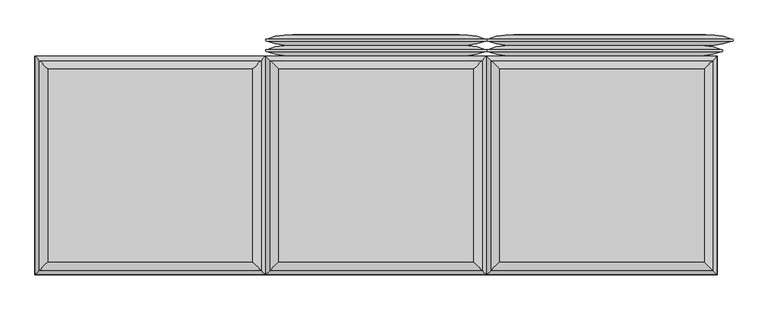
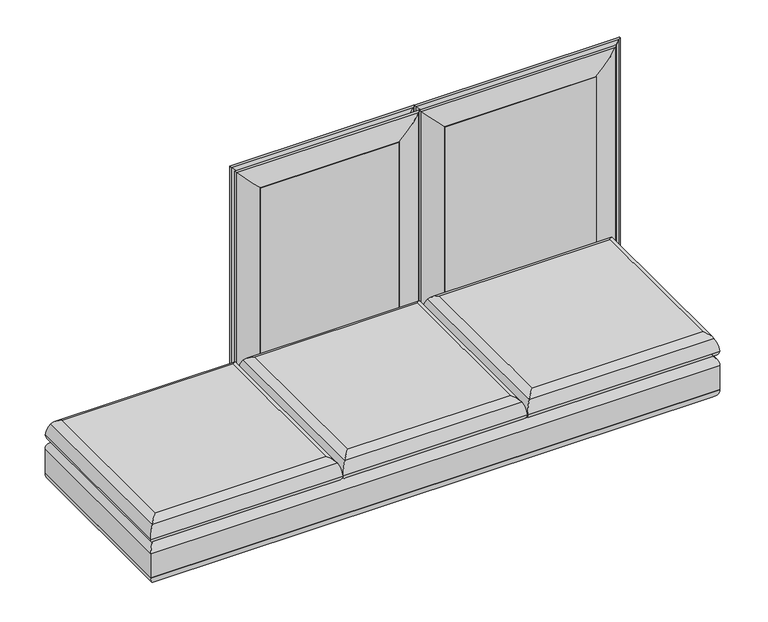
"""IFC4 building model written with IfcOpenShell, lengths in millimetres: furniture geometry."""

from ifc_helpers import new_model, si_unit, frame, origin, place, context, project, spatial, polyline, ellipse_curve, outline, extrude, source, transform, mapped, element, save
from ifc_brep_helpers import plane_surface, cylinder_surface, advanced_brep


def furniture_ec7ce371(model_context):
    return source(origin(), model_context, "Body", "SolidModel", [
        advanced_brep(
        [(1216.025, -403.225, 329.9006118), (1216.025, 352.425, 329.9006118), (-1216.025, 352.425, 329.9006118), (-1216.025, -403.225, 329.9006118), (1216.025, 352.425, 142.5756118), (1216.025, -403.225, 142.5756118), (-1216.025, -403.225, 142.5756118), (-1216.025, 352.425, 142.5756118), (1235.0611528, 371.4611528, 291.910987), (1235.0611528, -422.2611528, 291.910987), (1235.075, 371.475, 181.4038342), (1235.075, 371.475, 291.0723894), (1235.075, -422.275, 291.0723894), (1235.075, -422.275, 181.4038342), (1235.0611528, 371.4611528, 180.5652366), (1235.0611528, -422.2611528, 180.5652366), (-1235.0611528, -422.2611528, 291.910987), (-1235.075, -422.275, 291.0723894), (-1235.075, -422.275, 181.4038342), (-1235.0611528, -422.2611528, 180.5652366), (-1235.0611528, 371.4611528, 291.910987), (-1235.075, 371.475, 291.0723894), (-1235.075, 371.475, 181.4038342), (-1235.0611528, 371.4611528, 180.5652366)],
        [
            (0, 1),
            (1, 2),
            (2, 3),
            (3, 0),
            (4, 5),
            (5, 6),
            (6, 7),
            (7, 4),
            (8, 1, ellipse_curve(frame((1184.2888472, 320.6888472, 290.2337918), z_axis=(0.7071067811865475, -0.7071067811865475, 0.0), x_axis=(0.7071067811865474, 0.7071067811865476, 0.0)), 71.842049, 50.8)),
            (0, 9, ellipse_curve(frame((1184.2888472, -371.4888472, 290.2337918), z_axis=(0.7071067811865475, 0.7071067811865475, 0.0), x_axis=(-0.7071067811865474, 0.7071067811865476, 0.0)), 71.842049, 50.8)),
            (9, 8),
            (10, 11),
            (11, 12),
            (12, 13),
            (13, 10),
            (4, 14, ellipse_curve(frame((1184.2888472, 320.6888472, 182.2424317), z_axis=(0.7071067811865475, -0.7071067811865475, 0.0), x_axis=(0.7071067811865474, 0.7071067811865476, 0.0)), 71.842049, 50.8)),
            (14, 15),
            (15, 5, ellipse_curve(frame((1184.2888472, -371.4888472, 182.2424317), z_axis=(0.7071067811865475, 0.7071067811865475, 0.0), x_axis=(-0.7071067811865474, 0.7071067811865476, 0.0)), 71.842049, 50.8)),
            (3, 16, ellipse_curve(frame((-1184.2888472, -371.4888472, 290.2337918), z_axis=(0.7071067811865475, -0.7071067811865475, 0.0), x_axis=(0.7071067811865476, 0.7071067811865474, 0.0)), 71.842049, 50.8)),
            (16, 9),
            (12, 17),
            (17, 18),
            (18, 13),
            (15, 19),
            (19, 6, ellipse_curve(frame((-1184.2888472, -371.4888472, 182.2424317), z_axis=(0.7071067811865475, -0.7071067811865475, 0.0), x_axis=(0.7071067811865476, 0.7071067811865474, 0.0)), 71.842049, 50.8)),
            (2, 20, ellipse_curve(frame((-1184.2888472, 320.6888472, 290.2337918), z_axis=(-0.7071067811865475, -0.7071067811865475, 0.0), x_axis=(0.7071067811865474, -0.7071067811865476, 0.0)), 71.842049, 50.8)),
            (20, 16),
            (17, 21),
            (21, 22),
            (22, 18),
            (19, 23),
            (23, 7, ellipse_curve(frame((-1184.2888472, 320.6888472, 182.2424317), z_axis=(-0.7071067811865475, -0.7071067811865475, 0.0), x_axis=(0.7071067811865474, -0.7071067811865476, 0.0)), 71.842049, 50.8)),
            (8, 20),
            (10, 22),
            (21, 11),
            (23, 14),
            (9, 12, ellipse_curve(frame((1209.675, -396.875, 291.0723894), z_axis=(0.7071067811865475, 0.7071067811865475, 0.0), x_axis=(-0.7071067811865474, 0.7071067811865476, 0.0)), 35.9210245, 25.4)),
            (11, 8, ellipse_curve(frame((1209.675, 346.075, 291.0723894), z_axis=(0.7071067811865475, -0.7071067811865475, 0.0), x_axis=(0.7071067811865474, 0.7071067811865476, 0.0)), 35.9210245, 25.4)),
            (13, 15, ellipse_curve(frame((1209.675, -396.875, 181.4038342), z_axis=(0.7071067811865475, 0.7071067811865475, 0.0), x_axis=(-0.7071067811865474, 0.7071067811865476, 0.0)), 35.9210245, 25.4)),
            (14, 10, ellipse_curve(frame((1209.675, 346.075, 181.4038342), z_axis=(0.7071067811865475, -0.7071067811865475, 0.0), x_axis=(0.7071067811865474, 0.7071067811865476, 0.0)), 35.9210245, 25.4)),
            (16, 17, ellipse_curve(frame((-1209.675, -396.875, 291.0723894), z_axis=(0.7071067811865475, -0.7071067811865475, 0.0), x_axis=(0.7071067811865476, 0.7071067811865474, 0.0)), 35.9210245, 25.4)),
            (18, 19, ellipse_curve(frame((-1209.675, -396.875, 181.4038342), z_axis=(0.7071067811865475, -0.7071067811865475, 0.0), x_axis=(0.7071067811865476, 0.7071067811865474, 0.0)), 35.9210245, 25.4)),
            (20, 21, ellipse_curve(frame((-1209.675, 346.075, 291.0723894), z_axis=(-0.7071067811865475, -0.7071067811865475, 0.0), x_axis=(0.7071067811865474, -0.7071067811865476, 0.0)), 35.9210245, 25.4)),
            (22, 23, ellipse_curve(frame((-1209.675, 346.075, 181.4038342), z_axis=(-0.7071067811865475, -0.7071067811865475, 0.0), x_axis=(0.7071067811865474, -0.7071067811865476, 0.0)), 35.9210245, 25.4)),
        ],
        [
            plane_surface(frame((-1216.025, 352.425, 329.9006118), z_axis=(0.0, 0.0, 1.0), x_axis=(-1.0, 0.0, 0.0))),
            plane_surface(frame((-1216.025, 352.425, 142.5756118), z_axis=(0.0, 0.0, -1.0), x_axis=(1.0, 0.0, 0.0))),
            cylinder_surface(frame((1184.2888472, 371.475, 290.2337918), z_axis=(0.0, 1.0, 0.0), x_axis=(1.0, 0.0, 0.0)), 50.8),
            plane_surface(frame((1235.075, 371.475, 291.0723894), z_axis=(1.0, 0.0, 0.0), x_axis=(0.0, -1.0, 0.0))),
            cylinder_surface(frame((1184.2888472, 371.475, 182.2424317), z_axis=(0.0, 1.0, 0.0), x_axis=(1.0, 0.0, 0.0)), 50.8),
            cylinder_surface(frame((1235.075, -371.4888472, 290.2337918), z_axis=(1.0, 0.0, 0.0), x_axis=(0.0, -1.0, 0.0)), 50.8),
            plane_surface(frame((1235.075, -422.275, 291.0723894), z_axis=(0.0, -1.0, 0.0), x_axis=(-1.0, 0.0, 0.0))),
            cylinder_surface(frame((1235.075, -371.4888472, 182.2424317), z_axis=(1.0, 0.0, 0.0), x_axis=(0.0, -1.0, 0.0)), 50.8),
            cylinder_surface(frame((-1184.2888472, -422.275, 290.2337918), z_axis=(0.0, -1.0, 0.0), x_axis=(-1.0, 0.0, 0.0)), 50.8),
            plane_surface(frame((-1235.075, -422.275, 291.0723894), z_axis=(-1.0, 0.0, 0.0), x_axis=(0.0, 1.0, 0.0))),
            cylinder_surface(frame((-1184.2888472, -422.275, 182.2424317), z_axis=(0.0, -1.0, 0.0), x_axis=(-1.0, 0.0, 0.0)), 50.8),
            cylinder_surface(frame((-1235.075, 320.6888472, 290.2337918), z_axis=(-1.0, 0.0, 0.0), x_axis=(0.0, 1.0, 0.0)), 50.8),
            plane_surface(frame((-1235.075, 371.475, 291.0723894), z_axis=(0.0, 1.0, 0.0), x_axis=(1.0, 0.0, 0.0))),
            cylinder_surface(frame((-1235.075, 320.6888472, 182.2424317), z_axis=(-1.0, 0.0, 0.0), x_axis=(0.0, 1.0, 0.0)), 50.8),
            cylinder_surface(frame((1209.675, 371.475, 291.0723894), z_axis=(0.0, 1.0, 0.0), x_axis=(1.0, 0.0, 0.0)), 25.4),
            cylinder_surface(frame((1209.675, 371.475, 181.4038342), z_axis=(0.0, 1.0, 0.0), x_axis=(1.0, 0.0, 0.0)), 25.4),
            cylinder_surface(frame((1235.075, -396.875, 291.0723894), z_axis=(1.0, 0.0, 0.0), x_axis=(0.0, -1.0, 0.0)), 25.4),
            cylinder_surface(frame((1235.075, -396.875, 181.4038342), z_axis=(1.0, 0.0, 0.0), x_axis=(0.0, -1.0, 0.0)), 25.4),
            cylinder_surface(frame((-1209.675, -422.275, 291.0723894), z_axis=(0.0, -1.0, 0.0), x_axis=(-1.0, 0.0, 0.0)), 25.4),
            cylinder_surface(frame((-1209.675, -422.275, 181.4038342), z_axis=(0.0, -1.0, 0.0), x_axis=(-1.0, 0.0, 0.0)), 25.4),
            cylinder_surface(frame((-1235.075, 346.075, 291.0723894), z_axis=(-1.0, 0.0, 0.0), x_axis=(0.0, 1.0, 0.0)), 25.4),
            cylinder_surface(frame((-1235.075, 346.075, 181.4038342), z_axis=(-1.0, 0.0, 0.0), x_axis=(0.0, 1.0, 0.0)), 25.4),
        ],
        [
            (0, [[1, 2, 3, 4]]),
            (1, [[5, 6, 7, 8]]),
            (2, [[9, -1, 10, 11]]),
            (3, [[12, 13, 14, 15]]),
            (4, [[16, 17, 18, -5]]),
            (5, [[-10, -4, 19, 20]]),
            (6, [[-14, 21, 22, 23]]),
            (7, [[-18, 24, 25, -6]]),
            (8, [[-19, -3, 26, 27]]),
            (9, [[-22, 28, 29, 30]]),
            (10, [[-25, 31, 32, -7]]),
            (11, [[-9, 33, -26, -2]]),
            (12, [[-12, 34, -29, 35]]),
            (13, [[-16, -8, -32, 36]]),
            (14, [[-11, 37, -13, 38]]),
            (15, [[-15, 39, -17, 40]]),
            (16, [[-20, 41, -21, -37]]),
            (17, [[-23, 42, -24, -39]]),
            (18, [[-27, 43, -28, -41]]),
            (19, [[-30, 44, -31, -42]]),
            (20, [[-33, -38, -35, -43]]),
            (21, [[-34, -40, -36, -44]]),
        ],
    ),
        advanced_brep(
        [(373.5381705, -395.7631705, 330.2), (-373.5381705, -395.7631705, 330.2), (-373.5381705, 344.9631705, 330.2), (373.5381705, 344.9631705, 330.2), (398.9361903, 370.3611903, 355.9171647), (398.9361903, -421.1611903, 355.9171647), (-398.9361903, -421.1611903, 355.9171647), (-398.9361903, 370.3611903, 355.9171647), (352.425, -374.65, 434.975), (352.425, 323.85, 434.975), (-352.425, 323.85, 434.975), (-352.425, -374.65, 434.975), (383.6816677, 355.1066677, 412.0276231), (383.6816677, -405.9066677, 412.0276231), (-383.6816677, -405.9066677, 412.0276231), (-383.6816677, 355.1066677, 412.0276231)],
        [
            (0, 1),
            (1, 2),
            (2, 3),
            (3, 0),
            (3, 4, ellipse_curve(frame((373.5381705, 344.9631705, 355.6), z_axis=(0.7071067811865478, -0.7071067811865471, 0.0), x_axis=(0.707106781186547, 0.707106781186548, 0.0)), 35.9210245, 25.4)),
            (4, 5),
            (5, 0, ellipse_curve(frame((373.5381705, -395.7631705, 355.6), z_axis=(0.7071067811865471, 0.7071067811865478, 0.0), x_axis=(-0.7071067811865476, 0.7071067811865474, 0.0)), 35.9210245, 25.4)),
            (5, 6),
            (6, 1, ellipse_curve(frame((-373.5381705, -395.7631705, 355.6), z_axis=(0.7071067811865478, -0.7071067811865471, 0.0), x_axis=(0.7071067811865474, 0.7071067811865476, 0.0)), 35.9210245, 25.4)),
            (6, 7),
            (7, 2, ellipse_curve(frame((-373.5381705, 344.9631705, 355.6), z_axis=(-0.7071067811865471, -0.7071067811865478, 0.0), x_axis=(0.7071067811865476, -0.7071067811865474, 0.0)), 35.9210245, 25.4)),
            (7, 4),
            (8, 9),
            (9, 10),
            (10, 11),
            (11, 8),
            (12, 9, ellipse_curve(frame((342.2981381, 313.7231381, 388.4201083), z_axis=(0.7071067811865478, -0.7071067811865471, 0.0), x_axis=(0.707106781186547, 0.707106781186548, 0.0)), 67.3782053, 47.6435859)),
            (8, 13, ellipse_curve(frame((342.2981381, -364.5231381, 388.4201083), z_axis=(0.7071067811865471, 0.7071067811865478, 0.0), x_axis=(-0.7071067811865476, 0.7071067811865474, 0.0)), 67.3782053, 47.6435859)),
            (13, 12),
            (4, 12, ellipse_curve(frame((282.7782966, 254.2032966, 354.4666114), z_axis=(0.7071067811865478, -0.7071067811865471, 0.0), x_axis=(0.707106781186547, 0.707106781186548, 0.0)), 164.2848767, 116.1669504)),
            (13, 5, ellipse_curve(frame((282.7782966, -305.0032966, 354.4666114), z_axis=(0.7071067811865471, 0.7071067811865478, 0.0), x_axis=(-0.7071067811865476, 0.7071067811865474, 0.0)), 164.2848767, 116.1669504)),
            (11, 14, ellipse_curve(frame((-342.2981381, -364.5231381, 388.4201083), z_axis=(0.7071067811865478, -0.7071067811865471, 0.0), x_axis=(0.7071067811865474, 0.7071067811865476, 0.0)), 67.3782053, 47.6435859)),
            (14, 13),
            (14, 6, ellipse_curve(frame((-282.7782966, -305.0032966, 354.4666114), z_axis=(0.7071067811865478, -0.7071067811865471, 0.0), x_axis=(0.7071067811865474, 0.7071067811865476, 0.0)), 164.2848767, 116.1669504)),
            (10, 15, ellipse_curve(frame((-342.2981381, 313.7231381, 388.4201083), z_axis=(-0.7071067811865471, -0.7071067811865478, 0.0), x_axis=(0.7071067811865476, -0.7071067811865474, 0.0)), 67.3782053, 47.6435859)),
            (15, 14),
            (15, 7, ellipse_curve(frame((-282.7782966, 254.2032966, 354.4666114), z_axis=(-0.7071067811865471, -0.7071067811865478, 0.0), x_axis=(0.7071067811865476, -0.7071067811865474, 0.0)), 164.2848767, 116.1669504)),
            (12, 15),
        ],
        [
            plane_surface(frame((-373.5381705, 344.9631705, 330.2), z_axis=(0.0, 0.0, -1.0), x_axis=(1.0, 0.0, 0.0))),
            cylinder_surface(frame((373.5381705, 371.475, 355.6), z_axis=(0.0, 1.0000000000000002, 0.0), x_axis=(1.0000000000000002, 0.0, 0.0)), 25.4),
            cylinder_surface(frame((400.05, -395.7631705, 355.6), z_axis=(1.0000000000000002, 0.0, 0.0), x_axis=(0.0, -1.0000000000000002, 0.0)), 25.4),
            cylinder_surface(frame((-373.5381705, -422.275, 355.6), z_axis=(0.0, -1.0000000000000002, 0.0), x_axis=(-1.0000000000000002, 0.0, 0.0)), 25.4),
            cylinder_surface(frame((-400.05, 344.9631705, 355.6), z_axis=(-1.0000000000000002, 0.0, 0.0), x_axis=(0.0, 1.0000000000000002, 0.0)), 25.4),
            plane_surface(frame((-352.425, 323.85, 434.975), z_axis=(0.0, 0.0, 1.0), x_axis=(-1.0, 0.0, 0.0))),
            cylinder_surface(frame((342.2981381, 371.475, 388.4201083), z_axis=(0.0, 1.0000000000000002, 0.0), x_axis=(1.0000000000000002, 0.0, 0.0)), 47.6435859),
            cylinder_surface(frame((282.7782966, 371.475, 354.4666114), z_axis=(0.0, 1.0000000000000002, 0.0), x_axis=(1.0000000000000002, 0.0, 0.0)), 116.1669504),
            cylinder_surface(frame((400.05, -364.5231381, 388.4201083), z_axis=(1.0000000000000002, 0.0, 0.0), x_axis=(0.0, -1.0000000000000002, 0.0)), 47.6435859),
            cylinder_surface(frame((400.05, -305.0032966, 354.4666114), z_axis=(1.0000000000000002, 0.0, 0.0), x_axis=(0.0, -1.0000000000000002, 0.0)), 116.1669504),
            cylinder_surface(frame((-342.2981381, -422.275, 388.4201083), z_axis=(0.0, -1.0000000000000002, 0.0), x_axis=(-1.0000000000000002, 0.0, 0.0)), 47.6435859),
            cylinder_surface(frame((-282.7782966, -422.275, 354.4666114), z_axis=(0.0, -1.0000000000000002, 0.0), x_axis=(-1.0000000000000002, 0.0, 0.0)), 116.1669504),
            cylinder_surface(frame((-400.05, 313.7231381, 388.4201083), z_axis=(-1.0000000000000002, 0.0, 0.0), x_axis=(0.0, 1.0000000000000002, 0.0)), 47.6435859),
            cylinder_surface(frame((-400.05, 254.2032966, 354.4666114), z_axis=(-1.0000000000000002, 0.0, 0.0), x_axis=(0.0, 1.0000000000000002, 0.0)), 116.1669504),
        ],
        [
            (0, [[1, 2, 3, 4]]),
            (1, [[-4, 5, 6, 7]]),
            (2, [[-1, -7, 8, 9]]),
            (3, [[-2, -9, 10, 11]]),
            (4, [[-3, -11, 12, -5]]),
            (5, [[13, 14, 15, 16]]),
            (6, [[17, -13, 18, 19]]),
            (7, [[-6, 20, -19, 21]]),
            (8, [[-18, -16, 22, 23]]),
            (9, [[-8, -21, -23, 24]]),
            (10, [[-22, -15, 25, 26]]),
            (11, [[-10, -24, -26, 27]]),
            (12, [[-17, 28, -25, -14]]),
            (13, [[-12, -27, -28, -20]]),
        ],
    ),
        advanced_brep(
        [(1208.5631705, -395.7631705, 330.2), (426.5618295, -395.7631705, 330.2), (426.5618295, 344.9631705, 330.2), (1208.5631705, 344.9631705, 330.2), (1233.9611903, 370.3611903, 355.9171647), (1233.9611903, -421.1611903, 355.9171647), (401.1638097, -421.1611903, 355.9171647), (401.1638097, 370.3611903, 355.9171647), (1187.45, -374.65, 434.975), (1187.45, 323.85, 434.975), (447.675, 323.85, 434.975), (447.675, -374.65, 434.975), (1218.7066677, 355.1066677, 412.0276231), (1218.7066677, -405.9066677, 412.0276231), (416.4183323, -405.9066677, 412.0276231), (416.4183323, 355.1066677, 412.0276231)],
        [
            (0, 1),
            (1, 2),
            (2, 3),
            (3, 0),
            (3, 4, ellipse_curve(frame((1208.5631705, 344.9631705, 355.6), z_axis=(0.7071067811865478, -0.7071067811865471, 0.0), x_axis=(0.707106781186547, 0.707106781186548, 0.0)), 35.9210245, 25.4)),
            (4, 5),
            (5, 0, ellipse_curve(frame((1208.5631705, -395.7631705, 355.6), z_axis=(0.7071067811865471, 0.7071067811865478, 0.0), x_axis=(-0.7071067811865476, 0.7071067811865474, 0.0)), 35.9210245, 25.4)),
            (5, 6),
            (6, 1, ellipse_curve(frame((426.5618295, -395.7631705, 355.6), z_axis=(0.7071067811865478, -0.7071067811865471, 0.0), x_axis=(0.7071067811865474, 0.7071067811865476, 0.0)), 35.9210245, 25.4)),
            (6, 7),
            (7, 2, ellipse_curve(frame((426.5618295, 344.9631705, 355.6), z_axis=(-0.7071067811865471, -0.7071067811865478, 0.0), x_axis=(0.7071067811865476, -0.7071067811865474, 0.0)), 35.9210245, 25.4)),
            (7, 4),
            (8, 9),
            (9, 10),
            (10, 11),
            (11, 8),
            (12, 9, ellipse_curve(frame((1177.3231381, 313.7231381, 388.4201083), z_axis=(0.7071067811865478, -0.7071067811865471, 0.0), x_axis=(0.707106781186547, 0.707106781186548, 0.0)), 67.3782053, 47.6435859)),
            (8, 13, ellipse_curve(frame((1177.3231381, -364.5231381, 388.4201083), z_axis=(0.7071067811865471, 0.7071067811865478, 0.0), x_axis=(-0.7071067811865476, 0.7071067811865474, 0.0)), 67.3782053, 47.6435859)),
            (13, 12),
            (4, 12, ellipse_curve(frame((1117.8032966, 254.2032966, 354.4666114), z_axis=(0.7071067811865478, -0.7071067811865471, 0.0), x_axis=(0.707106781186547, 0.707106781186548, 0.0)), 164.2848767, 116.1669504)),
            (13, 5, ellipse_curve(frame((1117.8032966, -305.0032966, 354.4666114), z_axis=(0.7071067811865471, 0.7071067811865478, 0.0), x_axis=(-0.7071067811865476, 0.7071067811865474, 0.0)), 164.2848767, 116.1669504)),
            (11, 14, ellipse_curve(frame((457.8018619, -364.5231381, 388.4201083), z_axis=(0.7071067811865478, -0.7071067811865471, 0.0), x_axis=(0.7071067811865474, 0.7071067811865476, 0.0)), 67.3782053, 47.6435859)),
            (14, 13),
            (14, 6, ellipse_curve(frame((517.3217034, -305.0032966, 354.4666114), z_axis=(0.7071067811865478, -0.7071067811865471, 0.0), x_axis=(0.7071067811865474, 0.7071067811865476, 0.0)), 164.2848767, 116.1669504)),
            (10, 15, ellipse_curve(frame((457.8018619, 313.7231381, 388.4201083), z_axis=(-0.7071067811865471, -0.7071067811865478, 0.0), x_axis=(0.7071067811865476, -0.7071067811865474, 0.0)), 67.3782053, 47.6435859)),
            (15, 14),
            (15, 7, ellipse_curve(frame((517.3217034, 254.2032966, 354.4666114), z_axis=(-0.7071067811865471, -0.7071067811865478, 0.0), x_axis=(0.7071067811865476, -0.7071067811865474, 0.0)), 164.2848767, 116.1669504)),
            (12, 15),
        ],
        [
            plane_surface(frame((426.5618295, 344.9631705, 330.2), z_axis=(0.0, 0.0, -1.0), x_axis=(1.0, 0.0, 0.0))),
            cylinder_surface(frame((1208.5631705, 371.475, 355.6), z_axis=(0.0, 1.0000000000000002, 0.0), x_axis=(1.0000000000000002, 0.0, 0.0)), 25.4),
            cylinder_surface(frame((1235.075, -395.7631705, 355.6), z_axis=(1.0000000000000002, 0.0, 0.0), x_axis=(0.0, -1.0000000000000002, 0.0)), 25.4),
            cylinder_surface(frame((426.5618295, -422.275, 355.6), z_axis=(0.0, -1.0000000000000002, 0.0), x_axis=(-1.0000000000000002, 0.0, 0.0)), 25.4),
            cylinder_surface(frame((400.05, 344.9631705, 355.6), z_axis=(-1.0000000000000002, 0.0, 0.0), x_axis=(0.0, 1.0000000000000002, 0.0)), 25.4),
            plane_surface(frame((447.675, 323.85, 434.975), z_axis=(0.0, 0.0, 1.0), x_axis=(-1.0, 0.0, 0.0))),
            cylinder_surface(frame((1177.3231381, 371.475, 388.4201083), z_axis=(0.0, 1.0000000000000002, 0.0), x_axis=(1.0000000000000002, 0.0, 0.0)), 47.6435859),
            cylinder_surface(frame((1117.8032966, 371.475, 354.4666114), z_axis=(0.0, 1.0000000000000002, 0.0), x_axis=(1.0000000000000002, 0.0, 0.0)), 116.1669504),
            cylinder_surface(frame((1235.075, -364.5231381, 388.4201083), z_axis=(1.0000000000000002, 0.0, 0.0), x_axis=(0.0, -1.0000000000000002, 0.0)), 47.6435859),
            cylinder_surface(frame((1235.075, -305.0032966, 354.4666114), z_axis=(1.0000000000000002, 0.0, 0.0), x_axis=(0.0, -1.0000000000000002, 0.0)), 116.1669504),
            cylinder_surface(frame((457.8018619, -422.275, 388.4201083), z_axis=(0.0, -1.0000000000000002, 0.0), x_axis=(-1.0000000000000002, 0.0, 0.0)), 47.6435859),
            cylinder_surface(frame((517.3217034, -422.275, 354.4666114), z_axis=(0.0, -1.0000000000000002, 0.0), x_axis=(-1.0000000000000002, 0.0, 0.0)), 116.1669504),
            cylinder_surface(frame((400.05, 313.7231381, 388.4201083), z_axis=(-1.0000000000000002, 0.0, 0.0), x_axis=(0.0, 1.0000000000000002, 0.0)), 47.6435859),
            cylinder_surface(frame((400.05, 254.2032966, 354.4666114), z_axis=(-1.0000000000000002, 0.0, 0.0), x_axis=(0.0, 1.0000000000000002, 0.0)), 116.1669504),
        ],
        [
            (0, [[1, 2, 3, 4]]),
            (1, [[-4, 5, 6, 7]]),
            (2, [[-1, -7, 8, 9]]),
            (3, [[-2, -9, 10, 11]]),
            (4, [[-3, -11, 12, -5]]),
            (5, [[13, 14, 15, 16]]),
            (6, [[17, -13, 18, 19]]),
            (7, [[-6, 20, -19, 21]]),
            (8, [[-18, -16, 22, 23]]),
            (9, [[-8, -21, -23, 24]]),
            (10, [[-22, -15, 25, 26]]),
            (11, [[-10, -24, -26, 27]]),
            (12, [[-17, 28, -25, -14]]),
            (13, [[-12, -27, -28, -20]]),
        ],
    ),
        advanced_brep(
        [(-426.5618295, -395.7631705, 330.2), (-1208.5631705, -395.7631705, 330.2), (-1208.5631705, 344.9631705, 330.2), (-426.5618295, 344.9631705, 330.2), (-401.1638097, 370.3611903, 355.9171647), (-401.1638097, -421.1611903, 355.9171647), (-1233.9611903, -421.1611903, 355.9171647), (-1233.9611903, 370.3611903, 355.9171647), (-447.675, -374.65, 434.975), (-447.675, 323.85, 434.975), (-1187.45, 323.85, 434.975), (-1187.45, -374.65, 434.975), (-416.4183323, 355.1066677, 412.0276231), (-416.4183323, -405.9066677, 412.0276231), (-1218.7066677, -405.9066677, 412.0276231), (-1218.7066677, 355.1066677, 412.0276231)],
        [
            (0, 1),
            (1, 2),
            (2, 3),
            (3, 0),
            (3, 4, ellipse_curve(frame((-426.5618295, 344.9631705, 355.6), z_axis=(0.7071067811865478, -0.7071067811865471, 0.0), x_axis=(0.707106781186547, 0.707106781186548, 0.0)), 35.9210245, 25.4)),
            (4, 5),
            (5, 0, ellipse_curve(frame((-426.5618295, -395.7631705, 355.6), z_axis=(0.7071067811865471, 0.7071067811865478, 0.0), x_axis=(-0.7071067811865476, 0.7071067811865474, 0.0)), 35.9210245, 25.4)),
            (5, 6),
            (6, 1, ellipse_curve(frame((-1208.5631705, -395.7631705, 355.6), z_axis=(0.7071067811865478, -0.7071067811865471, 0.0), x_axis=(0.7071067811865474, 0.7071067811865476, 0.0)), 35.9210245, 25.4)),
            (6, 7),
            (7, 2, ellipse_curve(frame((-1208.5631705, 344.9631705, 355.6), z_axis=(-0.7071067811865471, -0.7071067811865478, 0.0), x_axis=(0.7071067811865476, -0.7071067811865474, 0.0)), 35.9210245, 25.4)),
            (7, 4),
            (8, 9),
            (9, 10),
            (10, 11),
            (11, 8),
            (12, 9, ellipse_curve(frame((-457.8018619, 313.7231381, 388.4201083), z_axis=(0.7071067811865478, -0.7071067811865471, 0.0), x_axis=(0.707106781186547, 0.707106781186548, 0.0)), 67.3782053, 47.6435859)),
            (8, 13, ellipse_curve(frame((-457.8018619, -364.5231381, 388.4201083), z_axis=(0.7071067811865471, 0.7071067811865478, 0.0), x_axis=(-0.7071067811865476, 0.7071067811865474, 0.0)), 67.3782053, 47.6435859)),
            (13, 12),
            (4, 12, ellipse_curve(frame((-517.3217034, 254.2032966, 354.4666114), z_axis=(0.7071067811865478, -0.7071067811865471, 0.0), x_axis=(0.707106781186547, 0.707106781186548, 0.0)), 164.2848767, 116.1669504)),
            (13, 5, ellipse_curve(frame((-517.3217034, -305.0032966, 354.4666114), z_axis=(0.7071067811865471, 0.7071067811865478, 0.0), x_axis=(-0.7071067811865476, 0.7071067811865474, 0.0)), 164.2848767, 116.1669504)),
            (11, 14, ellipse_curve(frame((-1177.3231381, -364.5231381, 388.4201083), z_axis=(0.7071067811865478, -0.7071067811865471, 0.0), x_axis=(0.7071067811865474, 0.7071067811865476, 0.0)), 67.3782053, 47.6435859)),
            (14, 13),
            (14, 6, ellipse_curve(frame((-1117.8032966, -305.0032966, 354.4666114), z_axis=(0.7071067811865478, -0.7071067811865471, 0.0), x_axis=(0.7071067811865474, 0.7071067811865476, 0.0)), 164.2848767, 116.1669504)),
            (10, 15, ellipse_curve(frame((-1177.3231381, 313.7231381, 388.4201083), z_axis=(-0.7071067811865471, -0.7071067811865478, 0.0), x_axis=(0.7071067811865476, -0.7071067811865474, 0.0)), 67.3782053, 47.6435859)),
            (15, 14),
            (15, 7, ellipse_curve(frame((-1117.8032966, 254.2032966, 354.4666114), z_axis=(-0.7071067811865471, -0.7071067811865478, 0.0), x_axis=(0.7071067811865476, -0.7071067811865474, 0.0)), 164.2848767, 116.1669504)),
            (12, 15),
        ],
        [
            plane_surface(frame((-1208.5631705, 344.9631705, 330.2), z_axis=(0.0, 0.0, -1.0), x_axis=(1.0, 0.0, 0.0))),
            cylinder_surface(frame((-426.5618295, 371.475, 355.6), z_axis=(0.0, 1.0000000000000002, 0.0), x_axis=(1.0000000000000002, 0.0, 0.0)), 25.4),
            cylinder_surface(frame((-400.05, -395.7631705, 355.6), z_axis=(1.0000000000000002, 0.0, 0.0), x_axis=(0.0, -1.0000000000000002, 0.0)), 25.4),
            cylinder_surface(frame((-1208.5631705, -422.275, 355.6), z_axis=(0.0, -1.0000000000000002, 0.0), x_axis=(-1.0000000000000002, 0.0, 0.0)), 25.4),
            cylinder_surface(frame((-1235.075, 344.9631705, 355.6), z_axis=(-1.0000000000000002, 0.0, 0.0), x_axis=(0.0, 1.0000000000000002, 0.0)), 25.4),
            plane_surface(frame((-1187.45, 323.85, 434.975), z_axis=(0.0, 0.0, 1.0), x_axis=(-1.0, 0.0, 0.0))),
            cylinder_surface(frame((-457.8018619, 371.475, 388.4201083), z_axis=(0.0, 1.0000000000000002, 0.0), x_axis=(1.0000000000000002, 0.0, 0.0)), 47.6435859),
            cylinder_surface(frame((-517.3217034, 371.475, 354.4666114), z_axis=(0.0, 1.0000000000000002, 0.0), x_axis=(1.0000000000000002, 0.0, 0.0)), 116.1669504),
            cylinder_surface(frame((-400.05, -364.5231381, 388.4201083), z_axis=(1.0000000000000002, 0.0, 0.0), x_axis=(0.0, -1.0000000000000002, 0.0)), 47.6435859),
            cylinder_surface(frame((-400.05, -305.0032966, 354.4666114), z_axis=(1.0000000000000002, 0.0, 0.0), x_axis=(0.0, -1.0000000000000002, 0.0)), 116.1669504),
            cylinder_surface(frame((-1177.3231381, -422.275, 388.4201083), z_axis=(0.0, -1.0000000000000002, 0.0), x_axis=(-1.0000000000000002, 0.0, 0.0)), 47.6435859),
            cylinder_surface(frame((-1117.8032966, -422.275, 354.4666114), z_axis=(0.0, -1.0000000000000002, 0.0), x_axis=(-1.0000000000000002, 0.0, 0.0)), 116.1669504),
            cylinder_surface(frame((-1235.075, 313.7231381, 388.4201083), z_axis=(-1.0000000000000002, 0.0, 0.0), x_axis=(0.0, 1.0000000000000002, 0.0)), 47.6435859),
            cylinder_surface(frame((-1235.075, 254.2032966, 354.4666114), z_axis=(-1.0000000000000002, 0.0, 0.0), x_axis=(0.0, 1.0000000000000002, 0.0)), 116.1669504),
        ],
        [
            (0, [[1, 2, 3, 4]]),
            (1, [[-4, 5, 6, 7]]),
            (2, [[-1, -7, 8, 9]]),
            (3, [[-2, -9, 10, 11]]),
            (4, [[-3, -11, 12, -5]]),
            (5, [[13, 14, 15, 16]]),
            (6, [[17, -13, 18, 19]]),
            (7, [[-6, 20, -19, 21]]),
            (8, [[-18, -16, 22, 23]]),
            (9, [[-8, -21, -23, 24]]),
            (10, [[-22, -15, 25, 26]]),
            (11, [[-10, -24, -26, 27]]),
            (12, [[-17, 28, -25, -14]]),
            (13, [[-12, -27, -28, -20]]),
        ],
    ),
        advanced_brep(
        [(-301.625, 410.5220019, 1163.5628297), (-394.7563317, 425.266915, 1256.6941614), (-394.7563317, 425.266915, 145.8277373), (-301.625, 410.5220019, 238.959069), (-301.625, 446.7279981, 1163.5628297), (-301.625, 446.7279981, 238.959069), (-394.7563317, 431.983085, 1256.6941614), (-394.7563317, 431.983085, 145.8277373), (394.7563317, 425.266915, 145.8277373), (301.625, 410.5220019, 238.959069), (301.625, 446.7279981, 238.959069), (394.7563317, 431.983085, 145.8277373), (394.7563317, 425.266915, 1256.6941614), (301.625, 410.5220019, 1163.5628297), (301.625, 446.7279981, 1163.5628297), (394.7563317, 431.983085, 1256.6941614)],
        [
            (0, 1, ellipse_curve(frame((-320.3217286, 593.9193158, 1182.2595584), z_axis=(-0.7071067811865475, 0.0, -0.7071067811865475), x_axis=(-0.7071067811865474, 0.0, 0.7071067811865476)), 260.707278, 184.3478842)),
            (1, 2),
            (2, 3, ellipse_curve(frame((-320.3217286, 593.9193158, 220.2623404), z_axis=(-0.7071067811865475, 0.0, 0.7071067811865475), x_axis=(0.7071067811865474, 0.0, 0.7071067811865476)), 260.707278, 184.3478842)),
            (3, 0),
            (4, 0),
            (3, 5),
            (5, 4),
            (6, 4, ellipse_curve(frame((-320.3217286, 263.3306842, 1182.2595584), z_axis=(-0.7071067811865475, 0.0, -0.7071067811865475), x_axis=(-0.7071067811865474, 0.0, 0.7071067811865476)), 260.707278, 184.3478842)),
            (5, 7, ellipse_curve(frame((-320.3217286, 263.3306842, 220.2623404), z_axis=(-0.7071067811865475, 0.0, 0.7071067811865475), x_axis=(0.7071067811865474, 0.0, 0.7071067811865476)), 260.707278, 184.3478842)),
            (7, 6),
            (1, 6, ellipse_curve(frame((-396.3744455, 428.625, 1258.3122753), z_axis=(-0.7071067811865475, 0.0, -0.7071067811865475), x_axis=(-0.7071067811865474, 0.0, 0.7071067811865476)), 5.2716273, 3.7276034)),
            (7, 2, ellipse_curve(frame((-396.3744455, 428.625, 144.2096235), z_axis=(-0.7071067811865475, 0.0, 0.7071067811865475), x_axis=(0.7071067811865474, 0.0, 0.7071067811865476)), 5.2716273, 3.7276034)),
            (2, 8),
            (8, 9, ellipse_curve(frame((320.3217286, 593.9193158, 220.2623404), z_axis=(-0.7071067811865475, 0.0, -0.7071067811865475), x_axis=(-0.7071067811865476, 0.0, 0.7071067811865474)), 260.707278, 184.3478842)),
            (9, 3),
            (9, 10),
            (10, 5),
            (10, 11, ellipse_curve(frame((320.3217286, 263.3306842, 220.2623404), z_axis=(-0.7071067811865475, 0.0, -0.7071067811865475), x_axis=(-0.7071067811865476, 0.0, 0.7071067811865474)), 260.707278, 184.3478842)),
            (11, 7),
            (11, 8, ellipse_curve(frame((396.3744455, 428.625, 144.2096235), z_axis=(-0.7071067811865475, 0.0, -0.7071067811865475), x_axis=(-0.7071067811865476, 0.0, 0.7071067811865474)), 5.2716273, 3.7276034)),
            (8, 12),
            (12, 13, ellipse_curve(frame((320.3217286, 593.9193158, 1182.2595584), z_axis=(0.7071067811865475, 0.0, -0.7071067811865475), x_axis=(-0.7071067811865474, 0.0, -0.7071067811865476)), 260.707278, 184.3478842)),
            (13, 9),
            (13, 14),
            (14, 10),
            (14, 15, ellipse_curve(frame((320.3217286, 263.3306842, 1182.2595584), z_axis=(0.7071067811865475, 0.0, -0.7071067811865475), x_axis=(-0.7071067811865474, 0.0, -0.7071067811865476)), 260.707278, 184.3478842)),
            (15, 11),
            (15, 12, ellipse_curve(frame((396.3744455, 428.625, 1258.3122753), z_axis=(0.7071067811865475, 0.0, -0.7071067811865475), x_axis=(-0.7071067811865474, 0.0, -0.7071067811865476)), 5.2716273, 3.7276034)),
            (12, 1),
            (0, 13),
            (4, 14),
            (6, 15),
        ],
        [
            cylinder_surface(frame((-320.3217286, 593.9193158, 1163.5628297), z_axis=(0.0, 0.0, 1.0), x_axis=(0.0, -1.0000000000000002, 0.0)), 184.3478842),
            plane_surface(frame((-301.625, 410.5220019, 1163.5628297), z_axis=(1.0, 0.0, 0.0), x_axis=(0.0, 0.0, -1.0))),
            cylinder_surface(frame((-320.3217286, 263.3306842, 1163.5628297), z_axis=(0.0, 0.0, 1.0), x_axis=(0.0, -1.0000000000000002, 0.0)), 184.3478842),
            cylinder_surface(frame((-396.3744455, 428.625, 1163.5628297), z_axis=(0.0, 0.0, 1.0), x_axis=(0.0, -1.0000000000000002, 0.0)), 3.7276034),
            cylinder_surface(frame((-301.625, 593.9193158, 220.2623404), z_axis=(-1.0000000000000002, 0.0, 0.0), x_axis=(0.0, -1.0000000000000002, 0.0)), 184.3478842),
            plane_surface(frame((-301.625, 410.5220019, 238.959069), z_axis=(0.0, 0.0, 1.0), x_axis=(1.0, 0.0, 0.0))),
            cylinder_surface(frame((-301.625, 263.3306842, 220.2623404), z_axis=(-1.0000000000000002, 0.0, 0.0), x_axis=(0.0, -1.0000000000000002, 0.0)), 184.3478842),
            cylinder_surface(frame((-301.625, 428.625, 144.2096235), z_axis=(-1.0000000000000002, 0.0, 0.0), x_axis=(0.0, -1.0000000000000002, 0.0)), 3.7276034),
            cylinder_surface(frame((320.3217286, 593.9193158, 238.959069), z_axis=(0.0, 0.0, -1.0), x_axis=(0.0, -1.0000000000000002, 0.0)), 184.3478842),
            plane_surface(frame((301.625, 410.5220019, 238.959069), z_axis=(-1.0, 0.0, 0.0), x_axis=(0.0, 0.0, 1.0))),
            cylinder_surface(frame((320.3217286, 263.3306842, 238.959069), z_axis=(0.0, 0.0, -1.0), x_axis=(0.0, -1.0000000000000002, 0.0)), 184.3478842),
            cylinder_surface(frame((396.3744455, 428.625, 238.959069), z_axis=(0.0, 0.0, -1.0), x_axis=(0.0, -1.0000000000000002, 0.0)), 3.7276034),
            cylinder_surface(frame((301.625, 593.9193158, 1182.2595584), z_axis=(1.0000000000000002, 0.0, 0.0), x_axis=(0.0, -1.0000000000000002, 0.0)), 184.3478842),
            plane_surface(frame((301.625, 410.5220019, 1163.5628297), z_axis=(0.0, 0.0, -1.0), x_axis=(-1.0, 0.0, 0.0))),
            cylinder_surface(frame((301.625, 263.3306842, 1182.2595584), z_axis=(1.0000000000000002, 0.0, 0.0), x_axis=(0.0, -1.0000000000000002, 0.0)), 184.3478842),
            cylinder_surface(frame((301.625, 428.625, 1258.3122753), z_axis=(1.0000000000000002, 0.0, 0.0), x_axis=(0.0, -1.0000000000000002, 0.0)), 3.7276034),
        ],
        [
            (0, [[1, 2, 3, 4]]),
            (1, [[5, -4, 6, 7]]),
            (2, [[8, -7, 9, 10]]),
            (3, [[11, -10, 12, -2]]),
            (4, [[-3, 13, 14, 15]]),
            (5, [[-6, -15, 16, 17]]),
            (6, [[-9, -17, 18, 19]]),
            (7, [[-12, -19, 20, -13]]),
            (8, [[-14, 21, 22, 23]]),
            (9, [[-16, -23, 24, 25]]),
            (10, [[-18, -25, 26, 27]]),
            (11, [[-20, -27, 28, -21]]),
            (12, [[-22, 29, -1, 30]]),
            (13, [[-24, -30, -5, 31]]),
            (14, [[-26, -31, -8, 32]]),
            (15, [[-28, -32, -11, -29]]),
        ],
    ),
        extrude(outline(polyline([(301.625, 447.675), (301.625, 409.575), (-301.625, 409.575), (-301.625, 447.675), (301.625, 447.675)])), frame((0.0, 0.0, 238.959069), z_axis=(0.0, 0.0, 1.0), x_axis=(1.0, 0.0, 0.0)), (0.0, 0.0, 1.0), 924.6037607),
        advanced_brep(
        [(-301.625, 372.4220019, 1163.5628297), (-394.7563317, 387.166915, 1256.6941614), (-394.7563317, 387.166915, 145.8277373), (-301.625, 372.4220019, 238.959069), (-301.625, 408.6279981, 1163.5628297), (-301.625, 408.6279981, 238.959069), (-394.7563317, 393.883085, 1256.6941614), (-394.7563317, 393.883085, 145.8277373), (394.7563317, 387.166915, 145.8277373), (301.625, 372.4220019, 238.959069), (301.625, 408.6279981, 238.959069), (394.7563317, 393.883085, 145.8277373), (394.7563317, 387.166915, 1256.6941614), (301.625, 372.4220019, 1163.5628297), (301.625, 408.6279981, 1163.5628297), (394.7563317, 393.883085, 1256.6941614)],
        [
            (0, 1, ellipse_curve(frame((-320.3217286, 555.8193158, 1182.2595584), z_axis=(-0.7071067811865475, 0.0, -0.7071067811865475), x_axis=(-0.7071067811865474, 0.0, 0.7071067811865476)), 260.707278, 184.3478842)),
            (1, 2),
            (2, 3, ellipse_curve(frame((-320.3217286, 555.8193158, 220.2623404), z_axis=(-0.7071067811865475, 0.0, 0.7071067811865475), x_axis=(0.7071067811865474, 0.0, 0.7071067811865476)), 260.707278, 184.3478842)),
            (3, 0),
            (4, 0),
            (3, 5),
            (5, 4),
            (6, 4, ellipse_curve(frame((-320.3217286, 225.2306842, 1182.2595584), z_axis=(-0.7071067811865475, 0.0, -0.7071067811865475), x_axis=(-0.7071067811865474, 0.0, 0.7071067811865476)), 260.707278, 184.3478842)),
            (5, 7, ellipse_curve(frame((-320.3217286, 225.2306842, 220.2623404), z_axis=(-0.7071067811865475, 0.0, 0.7071067811865475), x_axis=(0.7071067811865474, 0.0, 0.7071067811865476)), 260.707278, 184.3478842)),
            (7, 6),
            (1, 6, ellipse_curve(frame((-396.3744455, 390.525, 1258.3122753), z_axis=(-0.7071067811865475, 0.0, -0.7071067811865475), x_axis=(-0.7071067811865474, 0.0, 0.7071067811865476)), 5.2716273, 3.7276034)),
            (7, 2, ellipse_curve(frame((-396.3744455, 390.525, 144.2096235), z_axis=(-0.7071067811865475, 0.0, 0.7071067811865475), x_axis=(0.7071067811865474, 0.0, 0.7071067811865476)), 5.2716273, 3.7276034)),
            (2, 8),
            (8, 9, ellipse_curve(frame((320.3217286, 555.8193158, 220.2623404), z_axis=(-0.7071067811865475, 0.0, -0.7071067811865475), x_axis=(-0.7071067811865476, 0.0, 0.7071067811865474)), 260.707278, 184.3478842)),
            (9, 3),
            (9, 10),
            (10, 5),
            (10, 11, ellipse_curve(frame((320.3217286, 225.2306842, 220.2623404), z_axis=(-0.7071067811865475, 0.0, -0.7071067811865475), x_axis=(-0.7071067811865476, 0.0, 0.7071067811865474)), 260.707278, 184.3478842)),
            (11, 7),
            (11, 8, ellipse_curve(frame((396.3744455, 390.525, 144.2096235), z_axis=(-0.7071067811865475, 0.0, -0.7071067811865475), x_axis=(-0.7071067811865476, 0.0, 0.7071067811865474)), 5.2716273, 3.7276034)),
            (8, 12),
            (12, 13, ellipse_curve(frame((320.3217286, 555.8193158, 1182.2595584), z_axis=(0.7071067811865475, 0.0, -0.7071067811865475), x_axis=(-0.7071067811865474, 0.0, -0.7071067811865476)), 260.707278, 184.3478842)),
            (13, 9),
            (13, 14),
            (14, 10),
            (14, 15, ellipse_curve(frame((320.3217286, 225.2306842, 1182.2595584), z_axis=(0.7071067811865475, 0.0, -0.7071067811865475), x_axis=(-0.7071067811865474, 0.0, -0.7071067811865476)), 260.707278, 184.3478842)),
            (15, 11),
            (15, 12, ellipse_curve(frame((396.3744455, 390.525, 1258.3122753), z_axis=(0.7071067811865475, 0.0, -0.7071067811865475), x_axis=(-0.7071067811865474, 0.0, -0.7071067811865476)), 5.2716273, 3.7276034)),
            (12, 1),
            (0, 13),
            (4, 14),
            (6, 15),
        ],
        [
            cylinder_surface(frame((-320.3217286, 555.8193158, 1163.5628297), z_axis=(0.0, 0.0, 1.0), x_axis=(0.0, -1.0000000000000002, 0.0)), 184.3478842),
            plane_surface(frame((-301.625, 372.4220019, 1163.5628297), z_axis=(1.0, 0.0, 0.0), x_axis=(0.0, 0.0, -1.0))),
            cylinder_surface(frame((-320.3217286, 225.2306842, 1163.5628297), z_axis=(0.0, 0.0, 1.0), x_axis=(0.0, -1.0000000000000002, 0.0)), 184.3478842),
            cylinder_surface(frame((-396.3744455, 390.525, 1163.5628297), z_axis=(0.0, 0.0, 1.0), x_axis=(0.0, -1.0000000000000002, 0.0)), 3.7276034),
            cylinder_surface(frame((-301.625, 555.8193158, 220.2623404), z_axis=(-1.0000000000000002, 0.0, 0.0), x_axis=(0.0, -1.0000000000000002, 0.0)), 184.3478842),
            plane_surface(frame((-301.625, 372.4220019, 238.959069), z_axis=(0.0, 0.0, 1.0), x_axis=(1.0, 0.0, 0.0))),
            cylinder_surface(frame((-301.625, 225.2306842, 220.2623404), z_axis=(-1.0000000000000002, 0.0, 0.0), x_axis=(0.0, -1.0000000000000002, 0.0)), 184.3478842),
            cylinder_surface(frame((-301.625, 390.525, 144.2096235), z_axis=(-1.0000000000000002, 0.0, 0.0), x_axis=(0.0, -1.0000000000000002, 0.0)), 3.7276034),
            cylinder_surface(frame((320.3217286, 555.8193158, 238.959069), z_axis=(0.0, 0.0, -1.0), x_axis=(0.0, -1.0000000000000002, 0.0)), 184.3478842),
            plane_surface(frame((301.625, 372.4220019, 238.959069), z_axis=(-1.0, 0.0, 0.0), x_axis=(0.0, 0.0, 1.0))),
            cylinder_surface(frame((320.3217286, 225.2306842, 238.959069), z_axis=(0.0, 0.0, -1.0), x_axis=(0.0, -1.0000000000000002, 0.0)), 184.3478842),
            cylinder_surface(frame((396.3744455, 390.525, 238.959069), z_axis=(0.0, 0.0, -1.0), x_axis=(0.0, -1.0000000000000002, 0.0)), 3.7276034),
            cylinder_surface(frame((301.625, 555.8193158, 1182.2595584), z_axis=(1.0000000000000002, 0.0, 0.0), x_axis=(0.0, -1.0000000000000002, 0.0)), 184.3478842),
            plane_surface(frame((301.625, 372.4220019, 1163.5628297), z_axis=(0.0, 0.0, -1.0), x_axis=(-1.0, 0.0, 0.0))),
            cylinder_surface(frame((301.625, 225.2306842, 1182.2595584), z_axis=(1.0000000000000002, 0.0, 0.0), x_axis=(0.0, -1.0000000000000002, 0.0)), 184.3478842),
            cylinder_surface(frame((301.625, 390.525, 1258.3122753), z_axis=(1.0000000000000002, 0.0, 0.0), x_axis=(0.0, -1.0000000000000002, 0.0)), 3.7276034),
        ],
        [
            (0, [[1, 2, 3, 4]]),
            (1, [[5, -4, 6, 7]]),
            (2, [[8, -7, 9, 10]]),
            (3, [[11, -10, 12, -2]]),
            (4, [[-3, 13, 14, 15]]),
            (5, [[-6, -15, 16, 17]]),
            (6, [[-9, -17, 18, 19]]),
            (7, [[-12, -19, 20, -13]]),
            (8, [[-14, 21, 22, 23]]),
            (9, [[-16, -23, 24, 25]]),
            (10, [[-18, -25, 26, 27]]),
            (11, [[-20, -27, 28, -21]]),
            (12, [[-22, 29, -1, 30]]),
            (13, [[-24, -30, -5, 31]]),
            (14, [[-26, -31, -8, 32]]),
            (15, [[-28, -32, -11, -29]]),
        ],
    ),
        extrude(outline(polyline([(301.625, 409.575), (301.625, 371.475), (-301.625, 371.475), (-301.625, 409.575), (301.625, 409.575)])), frame((0.0, 0.0, 238.959069), z_axis=(0.0, 0.0, 1.0), x_axis=(1.0, 0.0, 0.0)), (0.0, 0.0, 1.0), 924.6037607),
        advanced_brep(
        [(498.475, 410.5220019, 1163.5628297), (405.3436683, 425.266915, 1256.6941614), (405.3436683, 425.266915, 145.8277373), (498.475, 410.5220019, 238.959069), (498.475, 446.7279981, 1163.5628297), (498.475, 446.7279981, 238.959069), (405.3436683, 431.983085, 1256.6941614), (405.3436683, 431.983085, 145.8277373), (1286.9313317, 425.266915, 145.8277373), (1193.8, 410.5220019, 238.959069), (1193.8, 446.7279981, 238.959069), (1286.9313317, 431.983085, 145.8277373), (1286.9313317, 425.266915, 1256.6941614), (1193.8, 410.5220019, 1163.5628297), (1193.8, 446.7279981, 1163.5628297), (1286.9313317, 431.983085, 1256.6941614)],
        [
            (0, 1, ellipse_curve(frame((479.7782714, 593.9193158, 1182.2595584), z_axis=(-0.7071067811865475, 0.0, -0.7071067811865475), x_axis=(-0.7071067811865474, 0.0, 0.7071067811865476)), 260.707278, 184.3478842)),
            (1, 2),
            (2, 3, ellipse_curve(frame((479.7782714, 593.9193158, 220.2623404), z_axis=(-0.7071067811865475, 0.0, 0.7071067811865475), x_axis=(0.7071067811865474, 0.0, 0.7071067811865476)), 260.707278, 184.3478842)),
            (3, 0),
            (4, 0),
            (3, 5),
            (5, 4),
            (6, 4, ellipse_curve(frame((479.7782714, 263.3306842, 1182.2595584), z_axis=(-0.7071067811865475, 0.0, -0.7071067811865475), x_axis=(-0.7071067811865474, 0.0, 0.7071067811865476)), 260.707278, 184.3478842)),
            (5, 7, ellipse_curve(frame((479.7782714, 263.3306842, 220.2623404), z_axis=(-0.7071067811865475, 0.0, 0.7071067811865475), x_axis=(0.7071067811865474, 0.0, 0.7071067811865476)), 260.707278, 184.3478842)),
            (7, 6),
            (1, 6, ellipse_curve(frame((403.7255545, 428.625, 1258.3122753), z_axis=(-0.7071067811865475, 0.0, -0.7071067811865475), x_axis=(-0.7071067811865474, 0.0, 0.7071067811865476)), 5.2716273, 3.7276034)),
            (7, 2, ellipse_curve(frame((403.7255545, 428.625, 144.2096235), z_axis=(-0.7071067811865475, 0.0, 0.7071067811865475), x_axis=(0.7071067811865474, 0.0, 0.7071067811865476)), 5.2716273, 3.7276034)),
            (2, 8),
            (8, 9, ellipse_curve(frame((1212.4967286, 593.9193158, 220.2623404), z_axis=(-0.7071067811865475, 0.0, -0.7071067811865475), x_axis=(-0.7071067811865476, 0.0, 0.7071067811865474)), 260.707278, 184.3478842)),
            (9, 3),
            (9, 10),
            (10, 5),
            (10, 11, ellipse_curve(frame((1212.4967286, 263.3306842, 220.2623404), z_axis=(-0.7071067811865475, 0.0, -0.7071067811865475), x_axis=(-0.7071067811865476, 0.0, 0.7071067811865474)), 260.707278, 184.3478842)),
            (11, 7),
            (11, 8, ellipse_curve(frame((1288.5494455, 428.625, 144.2096235), z_axis=(-0.7071067811865475, 0.0, -0.7071067811865475), x_axis=(-0.7071067811865476, 0.0, 0.7071067811865474)), 5.2716273, 3.7276034)),
            (8, 12),
            (12, 13, ellipse_curve(frame((1212.4967286, 593.9193158, 1182.2595584), z_axis=(0.7071067811865475, 0.0, -0.7071067811865475), x_axis=(-0.7071067811865474, 0.0, -0.7071067811865476)), 260.707278, 184.3478842)),
            (13, 9),
            (13, 14),
            (14, 10),
            (14, 15, ellipse_curve(frame((1212.4967286, 263.3306842, 1182.2595584), z_axis=(0.7071067811865475, 0.0, -0.7071067811865475), x_axis=(-0.7071067811865474, 0.0, -0.7071067811865476)), 260.707278, 184.3478842)),
            (15, 11),
            (15, 12, ellipse_curve(frame((1288.5494455, 428.625, 1258.3122753), z_axis=(0.7071067811865475, 0.0, -0.7071067811865475), x_axis=(-0.7071067811865474, 0.0, -0.7071067811865476)), 5.2716273, 3.7276034)),
            (12, 1),
            (0, 13),
            (4, 14),
            (6, 15),
        ],
        [
            cylinder_surface(frame((479.7782714, 593.9193158, 1163.5628297), z_axis=(0.0, 0.0, 1.0), x_axis=(0.0, -1.0000000000000002, 0.0)), 184.3478842),
            plane_surface(frame((498.475, 410.5220019, 1163.5628297), z_axis=(1.0, 0.0, 0.0), x_axis=(0.0, 0.0, -1.0))),
            cylinder_surface(frame((479.7782714, 263.3306842, 1163.5628297), z_axis=(0.0, 0.0, 1.0), x_axis=(0.0, -1.0000000000000002, 0.0)), 184.3478842),
            cylinder_surface(frame((403.7255545, 428.625, 1163.5628297), z_axis=(0.0, 0.0, 1.0), x_axis=(0.0, -1.0000000000000002, 0.0)), 3.7276034),
            cylinder_surface(frame((498.475, 593.9193158, 220.2623404), z_axis=(-1.0000000000000002, 0.0, 0.0), x_axis=(0.0, -1.0000000000000002, 0.0)), 184.3478842),
            plane_surface(frame((498.475, 410.5220019, 238.959069), z_axis=(0.0, 0.0, 1.0), x_axis=(1.0, 0.0, 0.0))),
            cylinder_surface(frame((498.475, 263.3306842, 220.2623404), z_axis=(-1.0000000000000002, 0.0, 0.0), x_axis=(0.0, -1.0000000000000002, 0.0)), 184.3478842),
            cylinder_surface(frame((498.475, 428.625, 144.2096235), z_axis=(-1.0000000000000002, 0.0, 0.0), x_axis=(0.0, -1.0000000000000002, 0.0)), 3.7276034),
            cylinder_surface(frame((1212.4967286, 593.9193158, 238.959069), z_axis=(0.0, 0.0, -1.0), x_axis=(0.0, -1.0000000000000002, 0.0)), 184.3478842),
            plane_surface(frame((1193.8, 410.5220019, 238.959069), z_axis=(-1.0, 0.0, 0.0), x_axis=(0.0, 0.0, 1.0))),
            cylinder_surface(frame((1212.4967286, 263.3306842, 238.959069), z_axis=(0.0, 0.0, -1.0), x_axis=(0.0, -1.0000000000000002, 0.0)), 184.3478842),
            cylinder_surface(frame((1288.5494455, 428.625, 238.959069), z_axis=(0.0, 0.0, -1.0), x_axis=(0.0, -1.0000000000000002, 0.0)), 3.7276034),
            cylinder_surface(frame((1193.8, 593.9193158, 1182.2595584), z_axis=(1.0000000000000002, 0.0, 0.0), x_axis=(0.0, -1.0000000000000002, 0.0)), 184.3478842),
            plane_surface(frame((1193.8, 410.5220019, 1163.5628297), z_axis=(0.0, 0.0, -1.0), x_axis=(-1.0, 0.0, 0.0))),
            cylinder_surface(frame((1193.8, 263.3306842, 1182.2595584), z_axis=(1.0000000000000002, 0.0, 0.0), x_axis=(0.0, -1.0000000000000002, 0.0)), 184.3478842),
            cylinder_surface(frame((1193.8, 428.625, 1258.3122753), z_axis=(1.0000000000000002, 0.0, 0.0), x_axis=(0.0, -1.0000000000000002, 0.0)), 3.7276034),
        ],
        [
            (0, [[1, 2, 3, 4]]),
            (1, [[5, -4, 6, 7]]),
            (2, [[8, -7, 9, 10]]),
            (3, [[11, -10, 12, -2]]),
            (4, [[-3, 13, 14, 15]]),
            (5, [[-6, -15, 16, 17]]),
            (6, [[-9, -17, 18, 19]]),
            (7, [[-12, -19, 20, -13]]),
            (8, [[-14, 21, 22, 23]]),
            (9, [[-16, -23, 24, 25]]),
            (10, [[-18, -25, 26, 27]]),
            (11, [[-20, -27, 28, -21]]),
            (12, [[-22, 29, -1, 30]]),
            (13, [[-24, -30, -5, 31]]),
            (14, [[-26, -31, -8, 32]]),
            (15, [[-28, -32, -11, -29]]),
        ],
    ),
        extrude(outline(polyline([(1193.8, 447.675), (1193.8, 409.575), (498.475, 409.575), (498.475, 447.675), (1193.8, 447.675)])), frame((0.0, 0.0, 238.959069), z_axis=(0.0, 0.0, 1.0), x_axis=(1.0, 0.0, 0.0)), (0.0, 0.0, 1.0), 924.6037607),
        advanced_brep(
        [(498.475, 372.4220019, 1163.5628297), (405.3436683, 387.166915, 1256.6941614), (405.3436683, 387.166915, 145.8277373), (498.475, 372.4220019, 238.959069), (498.475, 408.6279981, 1163.5628297), (498.475, 408.6279981, 238.959069), (405.3436683, 393.883085, 1256.6941614), (405.3436683, 393.883085, 145.8277373), (1248.8313317, 387.166915, 145.8277373), (1155.7, 372.4220019, 238.959069), (1155.7, 408.6279981, 238.959069), (1248.8313317, 393.883085, 145.8277373), (1248.8313317, 387.166915, 1256.6941614), (1155.7, 372.4220019, 1163.5628297), (1155.7, 408.6279981, 1163.5628297), (1248.8313317, 393.883085, 1256.6941614)],
        [
            (0, 1, ellipse_curve(frame((479.7782714, 555.8193158, 1182.2595584), z_axis=(-0.7071067811865475, 0.0, -0.7071067811865475), x_axis=(-0.7071067811865474, 0.0, 0.7071067811865476)), 260.707278, 184.3478842)),
            (1, 2),
            (2, 3, ellipse_curve(frame((479.7782714, 555.8193158, 220.2623404), z_axis=(-0.7071067811865475, 0.0, 0.7071067811865475), x_axis=(0.7071067811865474, 0.0, 0.7071067811865476)), 260.707278, 184.3478842)),
            (3, 0),
            (4, 0),
            (3, 5),
            (5, 4),
            (6, 4, ellipse_curve(frame((479.7782714, 225.2306842, 1182.2595584), z_axis=(-0.7071067811865475, 0.0, -0.7071067811865475), x_axis=(-0.7071067811865474, 0.0, 0.7071067811865476)), 260.707278, 184.3478842)),
            (5, 7, ellipse_curve(frame((479.7782714, 225.2306842, 220.2623404), z_axis=(-0.7071067811865475, 0.0, 0.7071067811865475), x_axis=(0.7071067811865474, 0.0, 0.7071067811865476)), 260.707278, 184.3478842)),
            (7, 6),
            (1, 6, ellipse_curve(frame((403.7255545, 390.525, 1258.3122753), z_axis=(-0.7071067811865475, 0.0, -0.7071067811865475), x_axis=(-0.7071067811865474, 0.0, 0.7071067811865476)), 5.2716273, 3.7276034)),
            (7, 2, ellipse_curve(frame((403.7255545, 390.525, 144.2096235), z_axis=(-0.7071067811865475, 0.0, 0.7071067811865475), x_axis=(0.7071067811865474, 0.0, 0.7071067811865476)), 5.2716273, 3.7276034)),
            (2, 8),
            (8, 9, ellipse_curve(frame((1174.3967286, 555.8193158, 220.2623404), z_axis=(-0.7071067811865475, 0.0, -0.7071067811865475), x_axis=(-0.7071067811865476, 0.0, 0.7071067811865474)), 260.707278, 184.3478842)),
            (9, 3),
            (9, 10),
            (10, 5),
            (10, 11, ellipse_curve(frame((1174.3967286, 225.2306842, 220.2623404), z_axis=(-0.7071067811865475, 0.0, -0.7071067811865475), x_axis=(-0.7071067811865476, 0.0, 0.7071067811865474)), 260.707278, 184.3478842)),
            (11, 7),
            (11, 8, ellipse_curve(frame((1250.4494455, 390.525, 144.2096235), z_axis=(-0.7071067811865475, 0.0, -0.7071067811865475), x_axis=(-0.7071067811865476, 0.0, 0.7071067811865474)), 5.2716273, 3.7276034)),
            (8, 12),
            (12, 13, ellipse_curve(frame((1174.3967286, 555.8193158, 1182.2595584), z_axis=(0.7071067811865475, 0.0, -0.7071067811865475), x_axis=(-0.7071067811865474, 0.0, -0.7071067811865476)), 260.707278, 184.3478842)),
            (13, 9),
            (13, 14),
            (14, 10),
            (14, 15, ellipse_curve(frame((1174.3967286, 225.2306842, 1182.2595584), z_axis=(0.7071067811865475, 0.0, -0.7071067811865475), x_axis=(-0.7071067811865474, 0.0, -0.7071067811865476)), 260.707278, 184.3478842)),
            (15, 11),
            (15, 12, ellipse_curve(frame((1250.4494455, 390.525, 1258.3122753), z_axis=(0.7071067811865475, 0.0, -0.7071067811865475), x_axis=(-0.7071067811865474, 0.0, -0.7071067811865476)), 5.2716273, 3.7276034)),
            (12, 1),
            (0, 13),
            (4, 14),
            (6, 15),
        ],
        [
            cylinder_surface(frame((479.7782714, 555.8193158, 1163.5628297), z_axis=(0.0, 0.0, 1.0), x_axis=(0.0, -1.0000000000000002, 0.0)), 184.3478842),
            plane_surface(frame((498.475, 372.4220019, 1163.5628297), z_axis=(1.0, 0.0, 0.0), x_axis=(0.0, 0.0, -1.0))),
            cylinder_surface(frame((479.7782714, 225.2306842, 1163.5628297), z_axis=(0.0, 0.0, 1.0), x_axis=(0.0, -1.0000000000000002, 0.0)), 184.3478842),
            cylinder_surface(frame((403.7255545, 390.525, 1163.5628297), z_axis=(0.0, 0.0, 1.0), x_axis=(0.0, -1.0000000000000002, 0.0)), 3.7276034),
            cylinder_surface(frame((498.475, 555.8193158, 220.2623404), z_axis=(-1.0000000000000002, 0.0, 0.0), x_axis=(0.0, -1.0000000000000002, 0.0)), 184.3478842),
            plane_surface(frame((498.475, 372.4220019, 238.959069), z_axis=(0.0, 0.0, 1.0), x_axis=(1.0, 0.0, 0.0))),
            cylinder_surface(frame((498.475, 225.2306842, 220.2623404), z_axis=(-1.0000000000000002, 0.0, 0.0), x_axis=(0.0, -1.0000000000000002, 0.0)), 184.3478842),
            cylinder_surface(frame((498.475, 390.525, 144.2096235), z_axis=(-1.0000000000000002, 0.0, 0.0), x_axis=(0.0, -1.0000000000000002, 0.0)), 3.7276034),
            cylinder_surface(frame((1174.3967286, 555.8193158, 238.959069), z_axis=(0.0, 0.0, -1.0), x_axis=(0.0, -1.0000000000000002, 0.0)), 184.3478842),
            plane_surface(frame((1155.7, 372.4220019, 238.959069), z_axis=(-1.0, 0.0, 0.0), x_axis=(0.0, 0.0, 1.0))),
            cylinder_surface(frame((1174.3967286, 225.2306842, 238.959069), z_axis=(0.0, 0.0, -1.0), x_axis=(0.0, -1.0000000000000002, 0.0)), 184.3478842),
            cylinder_surface(frame((1250.4494455, 390.525, 238.959069), z_axis=(0.0, 0.0, -1.0), x_axis=(0.0, -1.0000000000000002, 0.0)), 3.7276034),
            cylinder_surface(frame((1155.7, 555.8193158, 1182.2595584), z_axis=(1.0000000000000002, 0.0, 0.0), x_axis=(0.0, -1.0000000000000002, 0.0)), 184.3478842),
            plane_surface(frame((1155.7, 372.4220019, 1163.5628297), z_axis=(0.0, 0.0, -1.0), x_axis=(-1.0, 0.0, 0.0))),
            cylinder_surface(frame((1155.7, 225.2306842, 1182.2595584), z_axis=(1.0000000000000002, 0.0, 0.0), x_axis=(0.0, -1.0000000000000002, 0.0)), 184.3478842),
            cylinder_surface(frame((1155.7, 390.525, 1258.3122753), z_axis=(1.0000000000000002, 0.0, 0.0), x_axis=(0.0, -1.0000000000000002, 0.0)), 3.7276034),
        ],
        [
            (0, [[1, 2, 3, 4]]),
            (1, [[5, -4, 6, 7]]),
            (2, [[8, -7, 9, 10]]),
            (3, [[11, -10, 12, -2]]),
            (4, [[-3, 13, 14, 15]]),
            (5, [[-6, -15, 16, 17]]),
            (6, [[-9, -17, 18, 19]]),
            (7, [[-12, -19, 20, -13]]),
            (8, [[-14, 21, 22, 23]]),
            (9, [[-16, -23, 24, 25]]),
            (10, [[-18, -25, 26, 27]]),
            (11, [[-20, -27, 28, -21]]),
            (12, [[-22, 29, -1, 30]]),
            (13, [[-24, -30, -5, 31]]),
            (14, [[-26, -31, -8, 32]]),
            (15, [[-28, -32, -11, -29]]),
        ],
    ),
        extrude(outline(polyline([(1155.7, 409.575), (1155.7, 371.475), (498.475, 371.475), (498.475, 409.575), (1155.7, 409.575)])), frame((0.0, 0.0, 238.959069), z_axis=(0.0, 0.0, 1.0), x_axis=(1.0, 0.0, 0.0)), (0.0, 0.0, 1.0), 924.6037607),
    ])


if __name__ == "__main__":
    model = new_model("IFC4")
    model_context = context("Model", 3, world=origin())
    ifc_project = project(units=[si_unit("LENGTHUNIT", "METRE", prefix="MILLI")], contexts=[model_context])
    site = spatial("IfcSite", under=ifc_project)
    building = spatial("IfcBuilding", under=site)
    placement = place(None, origin())
    furniture_shape = furniture_ec7ce371(model_context)
    element("IfcFurniture", 1, at=placement, inside=building, context=model_context, shape_type="MappedRepresentation", body=[
        mapped(furniture_shape, transform((0.0, 0.0, 0.0), x_axis=(1.0, 0.0, 0.0), y_axis=(0.0, 1.0, 0.0), z_axis=(0.0, 0.0, 1.0))),
    ])
    save(model, "model.ifc")
